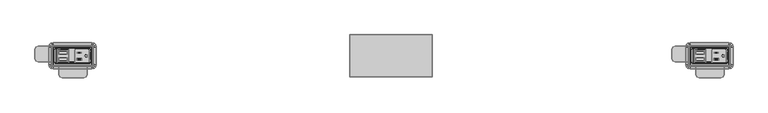
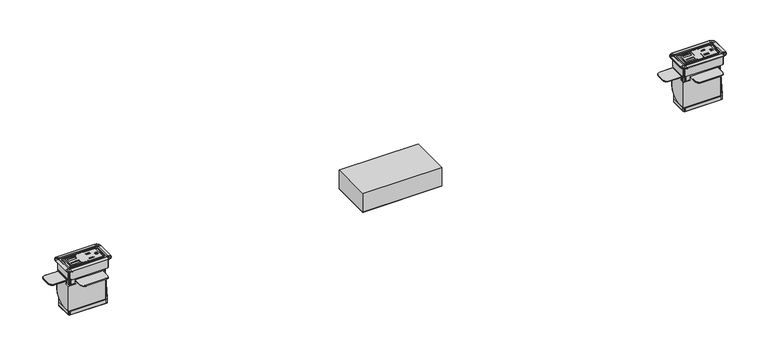
"""IFC4 building model written with IfcOpenShell, lengths in millimetres: furniture geometry."""

from ifc_helpers import new_model, si_unit, origin, place, context, project, spatial, triangles, source, transform, mapped, element, save


def furniture_952d9956(model_context):
    return source(origin(), model_context, "Body", "Tessellation", [
        triangles([(-622.3000242, -14.2235992, 2.189245), (-598.8364855, -12.0812961, 2.2463646), (-620.3914925, -12.0812961, 2.2463646), (-620.3914925, 11.9785305, 2.1326152), (-622.3000242, 14.2244009, 2.189245), (-598.8364855, 11.9785305, 2.1326152), (-598.8364855, -12.0836976, 1.7383702), (-598.8364855, 11.9761279, 1.6246208), (-620.3914925, -12.0836976, 1.7383702), (-620.3914925, 11.9761279, 1.6246208), (-601.6765011, 9.1385382, 2.146042), (-601.6765011, -9.2413038, 2.2329377), (-617.5514769, -9.2413038, 2.2329377), (-617.5514769, 9.1385382, 2.146042), (-617.5514769, 2.788609, 2.176063), (-617.5514769, -2.8913751, 2.2029167), (-601.6765011, -2.8913751, 2.2029167), (-601.6765011, 2.788609, 2.176063), (-601.6765011, 2.7549855, -4.9358577), (-601.6765011, 9.1049147, -4.9658783), (-617.5514769, 9.1050538, -4.9658794), (-617.5514769, 2.7549855, -4.9358577), (-601.6765011, -9.2749278, -4.8789826), (-601.6765011, -2.9249986, -4.9090038), (-617.5514769, -2.9248592, -4.9090044), (-617.5514769, -9.2749278, -4.8789826), (-585.3112573, -13.5884477, 2.2534901), (-587.5972369, -11.3024726, 2.2426824), (-587.5972369, 11.3032742, 2.1358076), (-585.3112573, 13.5892493, 2.125), (-562.7052607, 13.5892493, 2.125), (-561.0859918, 14.2244009, 2.189245), (-560.4192447, 11.3032742, 2.1358076), (-558.0379947, 11.1764004, 2.189245), (-560.4192447, -11.3024726, 2.2426824), (-558.0379947, -11.1755987, 2.189245), (-562.7052607, -13.5884477, 2.2534901), (-561.0859918, -14.2235992, 2.189245), (-625.3480213, -11.1755987, 2.189245), (-625.3480213, 11.1764004, 2.189245), (-560.4192447, -11.3090742, 0.846303), (-560.4192447, 11.2966726, 0.7394281), (-562.7052607, 13.5826477, 0.7286206), (-585.3112573, 13.5826477, 0.7286206), (-587.5972369, 11.2966726, 0.7394281), (-587.5972369, -11.3090742, 0.846303), (-585.3112573, -13.5950493, 0.8571106), (-562.7052607, -13.5950493, 0.8571106), (-582.974445, 4.5977495, 2.1675098), (-582.974445, 4.5839428, -0.752813), (-582.974445, 7.4425179, 2.1540604), (-582.974445, 7.4287111, -0.7662625), (-575.3036559, 4.5977495, 2.1675098), (-575.3036559, 4.5839428, -0.752813), (-575.3036559, 7.4425179, 2.1540604), (-575.3036559, 7.4287111, -0.7662625), (-566.2358591, 2.6165716, 2.1768763), (-566.2358591, 2.6027651, -0.7434465), (-563.9752413, 2.6027651, -0.7434465), (-563.9752413, 2.6165716, 2.1768763), (-567.2370335, 2.4174274, 2.1778179), (-567.2370335, 2.403621, -0.742505), (-568.0857825, 1.850313, 2.180499), (-568.0857825, 1.8365063, -0.7398238), (-568.6528991, 1.0015661, 2.1845118), (-568.6528991, 0.9877594, -0.7358111), (-568.8520512, 0.0004009, 2.189245), (-568.8520512, -0.0134058, -0.7310778), (-568.6528991, -1.0007643, 2.1939783), (-568.6528991, -1.014571, -0.7263445), (-568.0857825, -1.8495112, 2.1979911), (-568.0857825, -1.8633178, -0.7223318), (-567.2370335, -2.4166258, 2.2006722), (-567.2370335, -2.4304322, -0.7196506), (-566.2358591, -2.6157699, 2.2016136), (-566.2358591, -2.6295764, -0.7187092), (-563.9752413, -2.6157699, 2.2016136), (-563.9752413, -2.6295764, -0.7187092), (-574.6432674, -5.3081397, 2.2143427), (-574.6432674, -5.3219465, -0.7059802), (-574.6432674, -8.1667146, -0.6925308), (-574.6432674, -8.1529078, 2.227792), (-583.8888514, -5.3081397, 2.2143427), (-583.8888514, -5.3219465, -0.7059802), (-583.8888514, -8.1529078, 2.227792), (-583.8888514, -8.1667146, -0.6925308), (-626.2369932, -18.097099, -91.7907544), (-626.2369932, 18.0979006, -91.7907544), (-557.1489864, 18.0979006, -91.7907544), (-557.1489864, -18.097099, -91.7907544), (-554.1009893, 15.0499012, -91.7907544), (-554.1009893, -15.0490996, -91.7907544), (-554.5093583, -16.5730993, -91.7907544), (-554.5093583, 16.5739009, -91.7907544), (-555.6249879, -17.6887447, -91.7907544), (-555.6249879, 17.6895464, -91.7907544), (-627.7610281, -17.6887447, -91.7907544), (-627.7610281, 17.6895464, -91.7907544), (-628.8766577, -16.5730993, -91.7907544), (-628.8766577, 16.5739009, -91.7907544), (-629.2849903, -15.0490996, -91.7907544), (-629.2849903, 15.0499012, -91.7907544), (-623.8239864, 13.8160467, 2.189245), (-624.939616, 12.7004012, 2.189245), (-623.8239864, -13.815245, 2.189245), (-624.939616, -12.6995996, 2.189245), (-559.5619932, -13.815245, 2.189245), (-558.4463636, -12.6995996, 2.189245), (-558.4463636, 12.7004012, 2.189245), (-559.5619932, 13.8160467, 2.189245), (-554.1009893, -15.0490996, -84.1707526), (-554.5093583, -16.5730993, -84.1707526), (-555.6249879, -17.6887447, -84.1707526), (-557.1489864, -18.097099, -84.1707526), (-629.2849903, -15.0490996, -84.1707526), (-628.8766577, -16.5730993, -84.1707526), (-627.7610281, -17.6887447, -84.1707526), (-626.2369932, -18.097099, -84.1707526), (-629.2849903, 15.0499012, -84.1707526), (-628.8766577, 16.5739009, -84.1707526), (-627.7610281, 17.6895464, -84.1707526), (-626.2369932, 18.0979006, -84.1707526), (-554.1009893, 15.0499012, -84.1707526), (-554.5093583, 16.5739009, -84.1707526), (-555.6249879, 17.6895464, -84.1707526), (-557.1489864, 18.0979006, -84.1707526), (561.0859918, -14.2235992, 2.189245), (584.5495305, -12.0812961, 2.2463646), (562.9944872, -12.0812961, 2.2463646), (562.9944872, 11.9785305, 2.1326152), (561.0859918, 14.2244009, 2.189245), (584.5495305, 11.9785305, 2.1326152), (584.5495305, -12.0836976, 1.7383702), (584.5495305, 11.9761279, 1.6246208), (562.9944872, -12.0836976, 1.7383702), (562.9944872, 11.9761279, 1.6246208), (581.7095149, 9.1385382, 2.146042), (581.7095149, -9.2413038, 2.2329377), (565.8345028, -9.2413038, 2.2329377), (565.8345028, 9.1385382, 2.146042), (565.8345028, 2.788609, 2.176063), (565.8345028, -2.8913751, 2.2029167), (581.7095149, -2.8913751, 2.2029167), (581.7095149, 2.788609, 2.176063), (581.7095149, 2.7549855, -4.9358577), (581.7095149, 9.1049147, -4.9658783), (565.8345028, 9.1050538, -4.9658794), (565.8345028, 2.7549855, -4.9358577), (581.7095149, -9.2749278, -4.8789826), (581.7095149, -2.9249986, -4.9090038), (565.8345028, -2.9248592, -4.9090044), (565.8345028, -9.2749278, -4.8789826), (598.0747587, -13.5884477, 2.2534901), (595.7887427, -11.3024726, 2.2426824), (595.7887427, 11.3032742, 2.1358076), (598.0747587, 13.5892493, 2.125), (622.3000242, 14.2244009, 2.189245), (620.680719, 13.5892493, 2.125), (622.9667713, 11.3032742, 2.1358076), (625.3480213, 11.1764004, 2.189245), (622.9667713, -11.3024726, 2.2426824), (625.3480213, -11.1755987, 2.189245), (620.680719, -13.5884477, 2.2534901), (622.3000242, -14.2235992, 2.189245), (558.0379947, -11.1755987, 2.189245), (558.0379947, 11.1764004, 2.189245), (622.9667713, -11.3090742, 0.846303), (622.9667713, 11.2966726, 0.7394281), (620.680719, 13.5826477, 0.7286206), (598.0747587, 13.5826477, 0.7286206), (595.7887427, 11.2966726, 0.7394281), (595.7887427, -11.3090742, 0.846303), (598.0747587, -13.5950493, 0.8571106), (620.680719, -13.5950493, 0.8571106), (600.4115347, 4.5977495, 2.1675098), (600.4115347, 4.5839428, -0.752813), (600.4115347, 7.4425179, 2.1540604), (600.4115347, 7.4287111, -0.7662625), (608.0823601, 4.5977495, 2.1675098), (608.0823601, 4.5839428, -0.752813), (608.0823601, 7.4425179, 2.1540604), (608.0823601, 7.4287111, -0.7662625), (617.1501205, 2.6165716, 2.1768763), (617.1501205, 2.6027651, -0.7434465), (619.4107384, 2.6027651, -0.7434465), (619.4107384, 2.6165716, 2.1768763), (616.1489462, 2.4174274, 2.1778179), (616.1489462, 2.403621, -0.742505), (615.3002335, 1.850313, 2.180499), (615.3002335, 1.8365063, -0.7398238), (614.7331169, 1.0015661, 2.1845118), (614.7331169, 0.9877594, -0.7358111), (614.5339285, 0.0004009, 2.189245), (614.5339285, -0.0134058, -0.7310778), (614.7331169, -1.0007643, 2.1939783), (614.7331169, -1.014571, -0.7263445), (615.3002335, -1.8495112, 2.1979911), (615.3002335, -1.8633178, -0.7223318), (616.1489462, -2.4166258, 2.2006722), (616.1489462, -2.4304322, -0.7196506), (617.1501205, -2.6157699, 2.2016136), (617.1501205, -2.6295764, -0.7187092), (619.4107384, -2.6157699, 2.2016136), (619.4107384, -2.6295764, -0.7187092), (608.7427485, -5.3081397, 2.2143427), (608.7427485, -5.3219465, -0.7059802), (608.7427485, -8.1667146, -0.6925308), (608.7427485, -8.1529078, 2.227792), (599.4971646, -5.3081397, 2.2143427), (599.4971646, -5.3219465, -0.7059802), (599.4971646, -8.1529078, 2.227792), (599.4971646, -8.1667146, -0.6925308), (557.1489864, -18.097099, -91.7907544), (557.1489864, 18.0979006, -91.7907544), (626.2369932, 18.0979006, -91.7907544), (626.2369932, -18.097099, -91.7907544), (629.2849903, 15.0499012, -91.7907544), (629.2849903, -15.0490996, -91.7907544), (628.8766577, 16.5739009, -91.7907544), (628.8766577, -16.5730993, -91.7907544), (627.7610281, 17.6895464, -91.7907544), (627.7610281, -17.6887447, -91.7907544), (555.6249879, -17.6887447, -91.7907544), (555.6249879, 17.6895464, -91.7907544), (554.5093583, -16.5730993, -91.7907544), (554.5093583, 16.5739009, -91.7907544), (554.1009893, -15.0490996, -91.7907544), (554.1009893, 15.0499012, -91.7907544), (559.5619932, 13.8160467, 2.189245), (558.4463636, 12.7004012, 2.189245), (559.5619932, -13.815245, 2.189245), (558.4463636, -12.6995996, 2.189245), (623.8239864, -13.815245, 2.189245), (624.939616, -12.6995996, 2.189245), (624.939616, 12.7004012, 2.189245), (623.8239864, 13.8160467, 2.189245), (629.2849903, -15.0490996, -84.1707526), (628.8766577, -16.5730993, -84.1707526), (627.7610281, -17.6887447, -84.1707526), (626.2369932, -18.097099, -84.1707526), (554.1009893, -15.0490996, -84.1707526), (554.5093583, -16.5730993, -84.1707526), (555.6249879, -17.6887447, -84.1707526), (557.1489864, -18.097099, -84.1707526), (554.1009893, 15.0499012, -84.1707526), (554.5093583, 16.5739009, -84.1707526), (555.6249879, 17.6895464, -84.1707526), (557.1489864, 18.0979006, -84.1707526), (629.2849903, 15.0499012, -84.1707526), (628.8766577, 16.5739009, -84.1707526), (627.7610281, 17.6895464, -84.1707526), (626.2369932, 18.0979006, -84.1707526)], [[1, 2, 3], [4, 5, 1], [4, 1, 3], [6, 5, 4], [7, 8, 6], [7, 6, 2], [3, 9, 7], [3, 7, 2], [3, 4, 10], [3, 10, 9], [2, 6, 11], [2, 11, 12], [13, 3, 12], [3, 2, 12], [4, 3, 13], [4, 13, 14], [10, 4, 8], [4, 6, 8], [15, 16, 17], [15, 17, 18], [11, 6, 4], [11, 4, 14], [19, 20, 21], [19, 21, 22], [23, 24, 25], [23, 25, 26], [18, 11, 20], [18, 20, 19], [22, 15, 18], [22, 18, 19], [14, 15, 22], [14, 22, 21], [20, 11, 14], [20, 14, 21], [12, 17, 24], [12, 24, 23], [26, 13, 12], [26, 12, 23], [16, 13, 26], [16, 26, 25], [24, 17, 16], [24, 16, 25], [1, 27, 28], [1, 28, 2], [28, 29, 6], [28, 6, 2], [6, 29, 30], [6, 30, 5], [5, 30, 31], [5, 31, 32], [31, 33, 34], [31, 34, 32], [34, 33, 35], [34, 35, 36], [35, 37, 38], [35, 38, 36], [38, 37, 27], [38, 27, 1], [39, 1, 40], [1, 5, 40], [35, 28, 27], [35, 27, 37], [35, 41, 42], [35, 42, 33], [31, 33, 42], [31, 42, 43], [31, 43, 44], [31, 44, 30], [29, 30, 44], [29, 44, 45], [29, 45, 46], [29, 46, 28], [27, 28, 46], [27, 46, 47], [27, 47, 48], [27, 48, 37], [37, 48, 41], [37, 41, 35], [49, 50, 51], [50, 52, 51], [53, 54, 50], [53, 50, 49], [55, 56, 54], [55, 54, 53], [51, 52, 56], [51, 56, 55], [57, 58, 59], [57, 59, 60], [61, 62, 58], [61, 58, 57], [63, 64, 62], [63, 62, 61], [65, 66, 64], [65, 64, 63], [67, 68, 66], [67, 66, 65], [69, 70, 68], [69, 68, 67], [71, 72, 70], [71, 70, 69], [73, 74, 72], [73, 72, 71], [75, 76, 74], [75, 74, 73], [77, 78, 76], [77, 76, 75], [60, 59, 78], [60, 78, 77], [79, 80, 81], [79, 81, 82], [83, 84, 80], [83, 80, 79], [85, 86, 84], [85, 84, 83], [82, 81, 86], [82, 86, 85], [31, 30, 29], [31, 29, 33], [55, 33, 29], [55, 29, 51], [53, 49, 83], [53, 83, 79], [49, 51, 29], [49, 29, 83], [85, 83, 29], [85, 29, 28], [82, 85, 28], [82, 28, 35], [79, 82, 73], [82, 35, 73], [75, 73, 35], [75, 35, 77], [60, 77, 33], [77, 35, 33], [33, 60, 57], [33, 57, 61], [63, 61, 55], [61, 33, 55], [65, 63, 53], [63, 55, 53], [53, 79, 67], [53, 67, 65], [67, 79, 71], [67, 71, 69], [79, 73, 71], [87, 88, 89], [87, 89, 90], [91, 92, 93], [91, 93, 94], [94, 93, 95], [94, 95, 96], [96, 95, 90], [96, 90, 89], [88, 87, 97], [88, 97, 98], [98, 97, 99], [98, 99, 100], [100, 99, 101], [100, 101, 102], [40, 5, 103], [40, 103, 104], [105, 1, 106], [1, 39, 106], [36, 38, 107], [36, 107, 108], [34, 109, 110], [34, 110, 32], [111, 36, 108], [111, 108, 112], [112, 108, 107], [112, 107, 113], [113, 107, 38], [113, 38, 114], [92, 111, 112], [92, 112, 93], [93, 112, 113], [93, 113, 95], [95, 113, 114], [95, 114, 90], [115, 101, 116], [101, 99, 116], [116, 99, 117], [99, 97, 117], [117, 97, 118], [97, 87, 118], [39, 115, 116], [39, 116, 106], [106, 116, 117], [106, 117, 105], [105, 117, 118], [105, 118, 1], [119, 40, 104], [119, 104, 120], [120, 104, 103], [120, 103, 121], [121, 103, 5], [121, 5, 122], [102, 119, 120], [102, 120, 100], [100, 120, 121], [100, 121, 98], [98, 121, 122], [98, 122, 88], [123, 124, 109], [123, 109, 34], [124, 125, 110], [124, 110, 109], [125, 126, 32], [125, 32, 110], [91, 94, 124], [91, 124, 123], [94, 96, 125], [94, 125, 124], [96, 89, 126], [96, 126, 125], [122, 5, 32], [122, 32, 126], [38, 1, 118], [38, 118, 114], [123, 34, 36], [123, 36, 111], [115, 39, 40], [115, 40, 119], [119, 102, 101], [119, 101, 115], [118, 87, 90], [118, 90, 114], [111, 92, 91], [111, 91, 123], [126, 89, 88], [126, 88, 122], [127, 128, 129], [130, 131, 127], [130, 127, 129], [132, 131, 130], [133, 134, 132], [133, 132, 128], [129, 135, 133], [129, 133, 128], [129, 130, 136], [129, 136, 135], [128, 132, 137], [128, 137, 138], [139, 129, 128], [139, 128, 138], [130, 129, 139], [130, 139, 140], [136, 130, 132], [136, 132, 134], [141, 142, 143], [141, 143, 144], [137, 132, 140], [132, 130, 140], [145, 146, 147], [145, 147, 148], [149, 150, 151], [149, 151, 152], [144, 137, 146], [144, 146, 145], [148, 141, 144], [148, 144, 145], [140, 141, 148], [140, 148, 147], [146, 137, 140], [146, 140, 147], [138, 143, 150], [138, 150, 149], [152, 139, 138], [152, 138, 149], [142, 139, 152], [142, 152, 151], [150, 143, 142], [150, 142, 151], [127, 153, 154], [127, 154, 128], [154, 155, 128], [155, 132, 128], [132, 155, 156], [132, 156, 131], [131, 156, 157], [156, 158, 157], [158, 159, 160], [158, 160, 157], [160, 159, 161], [160, 161, 162], [161, 163, 164], [161, 164, 162], [164, 163, 153], [164, 153, 127], [165, 127, 131], [165, 131, 166], [161, 154, 163], [154, 153, 163], [161, 167, 168], [161, 168, 159], [158, 159, 168], [158, 168, 169], [158, 169, 170], [158, 170, 156], [155, 156, 170], [155, 170, 171], [155, 171, 172], [155, 172, 154], [153, 154, 172], [153, 172, 173], [153, 173, 174], [153, 174, 163], [163, 174, 167], [163, 167, 161], [175, 176, 177], [176, 178, 177], [179, 180, 176], [179, 176, 175], [181, 182, 180], [181, 180, 179], [177, 178, 182], [177, 182, 181], [183, 184, 185], [183, 185, 186], [187, 188, 184], [187, 184, 183], [189, 190, 188], [189, 188, 187], [191, 192, 190], [191, 190, 189], [193, 194, 192], [193, 192, 191], [195, 196, 194], [195, 194, 193], [197, 198, 196], [197, 196, 195], [199, 200, 198], [199, 198, 197], [201, 202, 200], [201, 200, 199], [203, 204, 202], [203, 202, 201], [186, 185, 204], [186, 204, 203], [205, 206, 207], [205, 207, 208], [209, 210, 206], [209, 206, 205], [211, 212, 210], [211, 210, 209], [208, 207, 212], [208, 212, 211], [158, 156, 155], [158, 155, 159], [181, 159, 177], [159, 155, 177], [179, 175, 209], [179, 209, 205], [175, 177, 209], [177, 155, 209], [211, 209, 154], [209, 155, 154], [208, 211, 161], [211, 154, 161], [205, 208, 161], [205, 161, 199], [201, 199, 203], [199, 161, 203], [186, 203, 161], [186, 161, 159], [159, 186, 187], [186, 183, 187], [189, 187, 159], [189, 159, 181], [191, 189, 181], [191, 181, 179], [179, 205, 193], [179, 193, 191], [193, 205, 197], [193, 197, 195], [205, 199, 197], [213, 214, 215], [213, 215, 216], [217, 218, 219], [218, 220, 219], [219, 220, 221], [220, 222, 221], [221, 222, 215], [222, 216, 215], [214, 213, 223], [214, 223, 224], [224, 223, 225], [224, 225, 226], [226, 225, 227], [226, 227, 228], [166, 131, 229], [166, 229, 230], [231, 127, 165], [231, 165, 232], [162, 164, 233], [162, 233, 234], [160, 235, 236], [160, 236, 157], [237, 162, 234], [237, 234, 238], [238, 234, 233], [238, 233, 239], [239, 233, 164], [239, 164, 240], [218, 237, 238], [218, 238, 220], [220, 238, 239], [220, 239, 222], [222, 239, 240], [222, 240, 216], [241, 227, 225], [241, 225, 242], [242, 225, 223], [242, 223, 243], [243, 223, 213], [243, 213, 244], [165, 241, 242], [165, 242, 232], [232, 242, 243], [232, 243, 231], [231, 243, 244], [231, 244, 127], [245, 166, 230], [245, 230, 246], [246, 230, 229], [246, 229, 247], [247, 229, 131], [247, 131, 248], [228, 245, 246], [228, 246, 226], [226, 246, 247], [226, 247, 224], [224, 247, 248], [224, 248, 214], [249, 250, 235], [249, 235, 160], [250, 251, 236], [250, 236, 235], [251, 252, 157], [251, 157, 236], [217, 219, 250], [217, 250, 249], [219, 221, 251], [219, 251, 250], [221, 215, 252], [221, 252, 251], [248, 131, 157], [248, 157, 252], [164, 127, 244], [164, 244, 240], [249, 160, 162], [249, 162, 237], [241, 165, 166], [241, 166, 245], [245, 228, 227], [245, 227, 241], [244, 213, 216], [244, 216, 240], [237, 218, 217], [237, 217, 249], [252, 215, 214], [252, 214, 248]], closed=False),
        triangles([(-629.7928808, 16.0341912, -65.9811606), (-629.7928808, 17.967651, -56.2610008), (-629.7928808, 10.5281637, -74.2215143), (-629.7928808, 2.2878106, -79.7275372), (-629.7928808, 17.967651, -30.0990008), (-629.7928808, -7.4323486, -81.6610039), (-631.5708973, 2.2878106, -79.7275372), (-631.5708973, 17.967651, -56.2610008), (-631.5708973, 16.0341912, -65.9811606), (-631.5708973, 10.5281637, -74.2215143), (-631.5708973, -7.4323486, -81.6610039), (-631.5708973, 17.967651, -30.0990008), (-631.5708973, -20.0053491, -81.6610039), (-629.7928808, -18.2273485, -81.6610039), (-559.9428566, -18.2273485, -81.6610039), (-559.9428566, -20.0053491, -81.6610039), (-564.2608706, -18.2273485, -30.0990008), (-564.2608706, -20.0053491, -30.0990008), (-559.9428566, -18.2273485, -30.0990008), (-559.9428566, -20.0053491, -30.0990008), (-631.5708973, -20.0053491, -30.0990008), (-629.7928808, -18.2273485, -30.0990008), (-629.7928808, -11.4709489, -30.0990008), (-631.5708973, -11.4709489, -30.0990008), (-617.0928566, -20.0053491, -30.0990008), (-617.0928566, -18.2273485, -30.0990008), (-564.2608706, -20.0053491, -25.0190011), (-617.0928566, -20.0053491, -25.0190011), (-564.2608706, -34.7119483, -25.0190011), (-617.0928566, -34.7119483, -25.0190011), (-564.2608706, -18.2273485, -23.2410005), (-617.0928566, -18.2273485, -23.2410005), (-617.0928566, -34.7119483, -23.2410005), (-564.2608706, -34.7119483, -23.2410005), (-655.1928566, 17.967651, -25.0190011), (-631.5708973, 17.967651, -25.0190011), (-631.5708973, -11.4709489, -25.0190011), (-655.1928566, -11.4709489, -25.0190011), (-629.7928808, 17.967651, -23.2410005), (-629.7928808, -11.4709489, -23.2410005), (-655.1928566, 17.967651, -23.2410005), (-655.1928566, -11.4709489, -23.2410005), (-659.6829895, 16.1077797, -23.2410005), (-659.6829895, -9.6110765, -23.2410005), (-661.5428324, 11.6176514, -23.2410005), (-661.5428324, -5.1209487, -23.2410005), (-659.6829895, -9.6110765, -25.0190011), (-659.6829895, 16.1077797, -25.0190011), (-661.5428324, -5.1209487, -25.0190011), (-661.5428324, 11.6176514, -25.0190011), (-570.6108464, -41.0619467, -23.2410005), (-566.1207499, -39.2020766, -23.2410005), (-610.7428808, -41.0619467, -23.2410005), (-615.2330137, -39.2020766, -23.2410005), (-610.7428808, -41.0619467, -25.0190011), (-615.2330137, -39.2020766, -25.0190011), (-566.1207499, -39.2020766, -25.0190011), (-570.6108464, -41.0619467, -25.0190011), (553.5931352, 16.0341912, -65.9811606), (553.5931352, 17.967651, -56.2610008), (553.5931352, 10.5281637, -74.2215143), (553.5931352, 2.2878106, -79.7275372), (553.5931352, 17.967651, -30.0990008), (553.5931352, -7.4323486, -81.6610039), (551.815155, 2.2878106, -79.7275372), (551.815155, 17.967651, -56.2610008), (551.815155, 16.0341912, -65.9811606), (551.815155, 10.5281637, -74.2215143), (551.815155, -7.4323486, -81.6610039), (551.815155, 17.967651, -30.0990008), (551.815155, -20.0053491, -81.6610039), (553.5931352, -18.2273485, -81.6610039), (623.4431231, -20.0053491, -81.6610039), (623.4431231, -18.2273485, -81.6610039), (619.1251453, -18.2273485, -30.0990008), (619.1251453, -20.0053491, -30.0990008), (623.4431231, -20.0053491, -30.0990008), (623.4431231, -18.2273485, -30.0990008), (551.815155, -20.0053491, -30.0990008), (553.5931352, -18.2273485, -30.0990008), (553.5931352, -11.4709489, -30.0990008), (551.815155, -11.4709489, -30.0990008), (566.2931231, -20.0053491, -30.0990008), (566.2931231, -18.2273485, -30.0990008), (619.1251453, -20.0053491, -25.0190011), (566.2931231, -20.0053491, -25.0190011), (619.1251453, -34.7119483, -25.0190011), (566.2931231, -34.7119483, -25.0190011), (619.1251453, -18.2273485, -23.2410005), (566.2931231, -18.2273485, -23.2410005), (619.1251453, -34.7119483, -23.2410005), (566.2931231, -34.7119483, -23.2410005), (528.1931231, 17.967651, -25.0190011), (551.815155, 17.967651, -25.0190011), (551.815155, -11.4709489, -25.0190011), (528.1931231, -11.4709489, -25.0190011), (553.5931352, 17.967651, -23.2410005), (553.5931352, -11.4709489, -23.2410005), (528.1931231, 17.967651, -23.2410005), (528.1931231, -11.4709489, -23.2410005), (523.7030265, 16.1077797, -23.2410005), (523.7030265, -9.6110765, -23.2410005), (521.8431473, 11.6176514, -23.2410005), (521.8431473, -5.1209487, -23.2410005), (523.7030265, -9.6110765, -25.0190011), (523.7030265, 16.1077797, -25.0190011), (521.8431473, -5.1209487, -25.0190011), (521.8431473, 11.6176514, -25.0190011), (612.7751696, -41.0619467, -23.2410005), (617.2652298, -39.2020766, -23.2410005), (568.1530023, -39.2020766, -23.2410005), (572.6431352, -41.0619467, -23.2410005), (572.6431352, -41.0619467, -25.0190011), (568.1530023, -39.2020766, -25.0190011), (612.7751696, -41.0619467, -25.0190011), (617.2652298, -39.2020766, -25.0190011), (76.2, -39.3699988, -62.1070784), (-76.2, -39.3699988, -62.1070784), (-76.2, 39.3699988, -62.1070784), (76.2, 39.3699988, -62.1070784), (76.2, -39.3699988, -24.0070784), (76.2, 39.3699988, -24.0070784), (-76.2, 39.3699988, -24.0070784), (-76.2, -39.3699988, -24.0070784)], [[1, 2, 3], [2, 4, 3], [2, 5, 4], [5, 6, 4], [7, 8, 9], [7, 9, 10], [11, 12, 8], [11, 8, 7], [2, 1, 9], [2, 9, 8], [1, 3, 10], [1, 10, 9], [3, 4, 7], [3, 7, 10], [4, 6, 11], [4, 11, 7], [13, 14, 15], [13, 15, 16], [13, 11, 6], [13, 6, 14], [17, 18, 19], [18, 20, 19], [21, 22, 23], [21, 23, 24], [21, 25, 26], [21, 26, 22], [18, 27, 28], [18, 28, 25], [29, 30, 28], [29, 28, 27], [31, 32, 33], [31, 33, 34], [31, 17, 26], [31, 26, 32], [35, 36, 37], [35, 37, 38], [12, 24, 37], [12, 37, 36], [39, 40, 23], [39, 23, 5], [39, 41, 42], [39, 42, 40], [43, 44, 41], [44, 42, 41], [45, 46, 43], [46, 44, 43], [47, 48, 38], [48, 35, 38], [49, 50, 47], [50, 48, 47], [51, 52, 53], [52, 54, 53], [52, 34, 33], [52, 33, 54], [55, 56, 57], [55, 57, 58], [56, 30, 29], [56, 29, 57], [52, 57, 34], [57, 29, 34], [51, 58, 52], [58, 57, 52], [54, 56, 53], [56, 55, 53], [33, 30, 54], [30, 56, 54], [43, 48, 50], [43, 50, 45], [41, 35, 48], [41, 48, 43], [44, 47, 42], [47, 38, 42], [46, 49, 44], [49, 47, 44], [17, 31, 27], [17, 27, 18], [34, 29, 27], [34, 27, 31], [53, 55, 51], [55, 58, 51], [32, 28, 30], [32, 30, 33], [32, 26, 25], [32, 25, 28], [23, 40, 37], [23, 37, 24], [42, 38, 40], [38, 37, 40], [45, 50, 49], [45, 49, 46], [39, 36, 35], [39, 35, 41], [8, 36, 2], [36, 39, 2], [5, 22, 14], [5, 14, 6], [19, 15, 14], [19, 14, 22], [19, 20, 16], [19, 16, 15], [21, 13, 16], [21, 16, 20], [21, 12, 11], [21, 11, 13], [59, 60, 61], [60, 62, 61], [60, 63, 62], [63, 64, 62], [65, 66, 67], [65, 67, 68], [69, 70, 66], [69, 66, 65], [60, 59, 66], [59, 67, 66], [59, 61, 67], [61, 68, 67], [61, 62, 68], [62, 65, 68], [62, 64, 65], [64, 69, 65], [71, 72, 73], [72, 74, 73], [71, 69, 64], [71, 64, 72], [75, 76, 77], [75, 77, 78], [79, 80, 81], [79, 81, 82], [79, 83, 84], [79, 84, 80], [76, 85, 86], [76, 86, 83], [87, 88, 86], [87, 86, 85], [89, 90, 91], [90, 92, 91], [89, 75, 90], [75, 84, 90], [93, 94, 95], [93, 95, 96], [70, 82, 95], [70, 95, 94], [97, 98, 81], [97, 81, 63], [97, 99, 100], [97, 100, 98], [101, 102, 100], [101, 100, 99], [103, 104, 102], [103, 102, 101], [105, 106, 93], [105, 93, 96], [107, 108, 106], [107, 106, 105], [109, 110, 111], [109, 111, 112], [110, 91, 92], [110, 92, 111], [113, 114, 115], [114, 116, 115], [114, 88, 87], [114, 87, 116], [110, 116, 87], [110, 87, 91], [109, 115, 116], [109, 116, 110], [111, 114, 113], [111, 113, 112], [92, 88, 114], [92, 114, 111], [101, 106, 103], [106, 108, 103], [99, 93, 101], [93, 106, 101], [102, 105, 96], [102, 96, 100], [104, 107, 105], [104, 105, 102], [75, 89, 85], [75, 85, 76], [91, 87, 85], [91, 85, 89], [112, 113, 115], [112, 115, 109], [90, 86, 88], [90, 88, 92], [90, 84, 83], [90, 83, 86], [81, 98, 95], [81, 95, 82], [100, 96, 95], [100, 95, 98], [103, 108, 107], [103, 107, 104], [97, 94, 99], [94, 93, 99], [66, 94, 97], [66, 97, 60], [63, 80, 72], [63, 72, 64], [78, 74, 72], [78, 72, 80], [78, 77, 73], [78, 73, 74], [79, 71, 73], [79, 73, 77], [79, 70, 69], [79, 69, 71], [117, 118, 119], [117, 119, 120], [121, 122, 123], [121, 123, 124], [123, 119, 118], [123, 118, 124], [123, 122, 120], [123, 120, 119], [121, 117, 120], [121, 120, 122], [121, 124, 118], [121, 118, 117]], closed=False),
        triangles([(-557.0465581, -16.8646728, 0.9906), (-556.2845407, -16.6604951, 0.9906), (-626.3377138, -16.8646728, 0.9906), (-627.0997313, -16.6604951, 0.9906), (-555.7267259, -16.1026724, 0.9906), (-627.657546, -16.1026724, 0.9906), (-555.5225595, -15.3406731, 0.9906), (-627.8617487, -15.3406731, 0.9906), (-555.5225595, 15.3425274, 0.9906), (-627.8617487, 15.3425274, 0.9906), (-555.7267259, 16.1045278, 0.9906), (-627.657546, 16.1045278, 0.9906), (-556.2845407, 16.6623505, 0.9906), (-627.0997313, 16.6623505, 0.9906), (-557.0465581, 16.866527, 0.9906), (-626.3377138, 16.866527, 0.9906), (-552.9825256, -16.8646728, -18.2117994), (-553.3228392, -18.1346727, -18.2117994), (-554.4068936, -16.8646728, -18.2117994), (-553.998561, -15.3406731, -18.2117994), (-554.2525426, -19.0643773, -18.2117994), (-555.5225595, -17.9803183, -18.2117994), (-555.5225595, -19.4046727, -18.2117994), (-557.0465581, -18.3886725, -18.2117994), (-557.0465581, 18.3905279, -18.2117994), (-555.5225595, 19.406528, -18.2117994), (-554.2525426, 19.0662327, -18.2117994), (-555.5225595, 17.9821725, -18.2117994), (-553.3228392, 18.136527, -18.2117994), (-554.4068936, 16.866527, -18.2117994), (-552.9825256, 16.866527, -18.2117994), (-553.998561, 15.3425274, -18.2117994), (-626.3377138, 18.3905279, -18.2117994), (-627.8617487, 17.9821725, -18.2117994), (-629.1317293, 19.0662327, -18.2117994), (-627.8617487, 19.406528, -18.2117994), (-628.9773783, 16.866527, -18.2117994), (-630.0614691, 18.136527, -18.2117994), (-629.3857109, 15.3425274, -18.2117994), (-630.4017099, 16.866527, -18.2117994), (-630.4017099, -16.8646728, -18.2117994), (-629.3857109, -15.3406731, -18.2117994), (-628.9773783, -16.8646728, -18.2117994), (-630.0614691, -18.1346727, -18.2117994), (-627.8617487, -17.9803183, -18.2117994), (-629.1317293, -19.0643773, -18.2117994), (-626.3377138, -18.3886725, -18.2117994), (-627.8617487, -19.4046727, -18.2117994), (-555.5225595, 19.406528, 0.635), (-627.8617487, 19.406528, 0.635), (-557.0465581, 16.866527, 0.635), (-626.3377138, 16.866527, 0.635), (-626.3377138, 18.3905279, 2.2859999), (-557.0465581, 18.3905279, 2.2859999), (-555.5225595, 24.4865277, 1.778), (-627.8617487, 24.4865277, 1.778), (-555.5225595, 24.4865277, 0.635), (-627.8617487, 24.4865277, 0.635), (-556.2845407, 16.6623505, 0.635), (-555.7267259, 16.1045278, 0.635), (-555.5225595, 15.3425274, 0.635), (-554.2525426, 19.0662327, 0.635), (-553.3228392, 18.136527, 0.635), (-552.9825256, 16.866527, 0.635), (-551.712545, 23.4656416, 0.635), (-548.9234347, 20.6765268, 0.635), (-547.9025305, 16.866527, 0.635), (-555.5225595, 17.9821725, 2.2859999), (-554.4068936, 16.866527, 2.2859999), (-553.998561, 15.3425274, 2.2859999), (-551.712545, 23.4656416, 1.778), (-548.9234347, 20.6765268, 1.778), (-547.9025305, 16.866527, 1.778), (-630.4017099, 16.866527, 0.635), (-630.4017099, -16.8646728, 0.635), (-627.8617487, 15.3425274, 0.635), (-627.8617487, -15.3406731, 0.635), (-629.3857109, 15.3425274, 2.2859999), (-629.3857109, -15.3406731, 2.2859999), (-635.4817778, 16.866527, 1.778), (-635.4817778, -16.8646728, 1.778), (-635.4817778, 16.866527, 0.635), (-635.4817778, -16.8646728, 0.635), (-627.657546, 16.1045278, 0.635), (-627.0997313, 16.6623505, 0.635), (-630.0614691, 18.136527, 0.635), (-629.1317293, 19.0662327, 0.635), (-634.4608372, 20.6765268, 0.635), (-631.6717632, 23.4656416, 0.635), (-628.9773783, 16.866527, 2.2859999), (-627.8617487, 17.9821725, 2.2859999), (-634.4608372, 20.6765268, 1.778), (-631.6717632, 23.4656416, 1.778), (-627.8617487, -19.4046727, 0.635), (-555.5225595, -19.4046727, 0.635), (-626.3377138, -16.8646728, 0.635), (-557.0465581, -16.8646728, 0.635), (-626.3377138, -18.3886725, 2.2859999), (-557.0465581, -18.3886725, 2.2859999), (-627.8617487, -24.4846724, 1.778), (-555.5225595, -24.4846724, 1.778), (-627.8617487, -24.4846724, 0.635), (-555.5225595, -24.4846724, 0.635), (-627.0997313, -16.6604951, 0.635), (-627.657546, -16.1026724, 0.635), (-629.1317293, -19.0643773, 0.635), (-630.0614691, -18.1346727, 0.635), (-631.6717632, -23.4637863, 0.635), (-634.4608372, -20.6746737, 0.635), (-627.8617487, -17.9803183, 2.2859999), (-628.9773783, -16.8646728, 2.2859999), (-631.6717632, -23.4637863, 1.778), (-634.4608372, -20.6746737, 1.778), (-552.9825256, -16.8646728, 0.635), (-555.5225595, -15.3406731, 0.635), (-553.998561, -15.3406731, 2.2859999), (-547.9025305, -16.8646728, 1.778), (-547.9025305, -16.8646728, 0.635), (-555.7267259, -16.1026724, 0.635), (-556.2845407, -16.6604951, 0.635), (-553.3228392, -18.1346727, 0.635), (-554.2525426, -19.0643773, 0.635), (-548.9234347, -20.6746737, 0.635), (-551.712545, -23.4637863, 0.635), (-554.4068936, -16.8646728, 2.2859999), (-555.5225595, -17.9803183, 2.2859999), (-548.9234347, -20.6746737, 1.778), (-551.712545, -23.4637863, 1.778), (-627.8617487, -19.4046727, -19.6849994), (-555.5225595, -19.4046727, -19.6849994), (-552.9825256, -16.8646728, -19.6849994), (-552.9825256, 16.866527, -19.6849994), (-555.5225595, 19.406528, -19.6849994), (-627.8617487, 19.406528, -19.6849994), (-630.4017099, 16.866527, -19.6849994), (-630.4017099, -16.8646728, -19.6849994), (-553.787709, -18.5995245, -19.6849994), (-553.787709, -18.5995245, 0.635), (-553.787709, 18.6013798, 0.635), (-553.787709, 18.6013798, -19.6849994), (-629.5965992, -18.5995245, 0.635), (-629.5965992, -18.5995245, -19.6849994), (-629.5965992, 18.6013798, 0.635), (-629.5965992, 18.6013798, -19.6849994), (626.3394579, -16.8646728, 0.9906), (627.1014753, -16.6604951, 0.9906), (556.2862484, -16.6604951, 0.9906), (557.0482658, -16.8646728, 0.9906), (627.6592901, -16.1026724, 0.9906), (555.7284336, -16.1026724, 0.9906), (627.8634201, -15.3406731, 0.9906), (555.5242673, -15.3406731, 0.9906), (627.8634201, 15.3425274, 0.9906), (555.5242673, 15.3425274, 0.9906), (627.6592901, 16.1045278, 0.9906), (555.7284336, 16.1045278, 0.9906), (627.1014753, 16.6623505, 0.9906), (556.2862484, 16.6623505, 0.9906), (626.3394579, 16.866527, 0.9906), (557.0482658, 16.866527, 0.9906), (630.403454, -16.8646728, -18.2117994), (630.0631405, -18.1346727, -18.2117994), (628.9791224, -16.8646728, -18.2117994), (629.387455, -15.3406731, -18.2117994), (629.1334734, -19.0643773, -18.2117994), (627.8634201, -17.9803183, -18.2117994), (627.8634201, -19.4046727, -18.2117994), (626.3394579, -18.3886725, -18.2117994), (626.3394579, 18.3905279, -18.2117994), (627.8634201, 19.406528, -18.2117994), (629.1334734, 19.0662327, -18.2117994), (627.8634201, 17.9821725, -18.2117994), (630.0631405, 18.136527, -18.2117994), (628.9791224, 16.866527, -18.2117994), (630.403454, 16.866527, -18.2117994), (629.387455, 15.3425274, -18.2117994), (557.0482658, 18.3905279, -18.2117994), (555.5242673, 17.9821725, -18.2117994), (554.2542503, 19.0662327, -18.2117994), (555.5242673, 19.406528, -18.2117994), (554.4086014, 16.866527, -18.2117994), (553.3245469, 18.136527, -18.2117994), (554.0002687, 15.3425274, -18.2117994), (552.9842697, 16.866527, -18.2117994), (552.9842697, -16.8646728, -18.2117994), (554.0002687, -15.3406731, -18.2117994), (554.4086014, -16.8646728, -18.2117994), (553.3245469, -18.1346727, -18.2117994), (555.5242673, -17.9803183, -18.2117994), (554.2542503, -19.0643773, -18.2117994), (557.0482658, -18.3886725, -18.2117994), (555.5242673, -19.4046727, -18.2117994), (627.8634201, 19.406528, 0.635), (555.5242673, 19.406528, 0.635), (626.3394579, 16.866527, 0.635), (557.0482658, 16.866527, 0.635), (626.3394579, 18.3905279, 2.2859999), (557.0482658, 18.3905279, 2.2859999), (627.8634201, 24.4865277, 1.778), (555.5242673, 24.4865277, 1.778), (627.8634201, 24.4865277, 0.635), (555.5242673, 24.4865277, 0.635), (627.1014753, 16.6623505, 0.635), (627.6592901, 16.1045278, 0.635), (627.8634201, 15.3425274, 0.635), (629.1334734, 19.0662327, 0.635), (630.0631405, 18.136527, 0.635), (630.403454, 16.866527, 0.635), (631.6734346, 23.4656416, 0.635), (634.4625813, 20.6765268, 0.635), (635.4834492, 16.866527, 0.635), (627.8634201, 17.9821725, 2.2859999), (628.9791224, 16.866527, 2.2859999), (629.387455, 15.3425274, 2.2859999), (631.6734346, 23.4656416, 1.778), (634.4625813, 20.6765268, 1.778), (635.4834492, 16.866527, 1.778), (552.9842697, 16.866527, 0.635), (552.9842697, -16.8646728, 0.635), (555.5242673, 15.3425274, 0.635), (555.5242673, -15.3406731, 0.635), (554.0002687, 15.3425274, 2.2859999), (554.0002687, -15.3406731, 2.2859999), (547.9042382, 16.866527, 1.778), (547.9042382, -16.8646728, 1.778), (547.9042382, 16.866527, 0.635), (547.9042382, -16.8646728, 0.635), (555.7284336, 16.1045278, 0.635), (556.2862484, 16.6623505, 0.635), (553.3245469, 18.136527, 0.635), (554.2542503, 19.0662327, 0.635), (548.9251425, 20.6765268, 0.635), (551.7142528, 23.4656416, 0.635), (554.4086014, 16.866527, 2.2859999), (555.5242673, 17.9821725, 2.2859999), (548.9251425, 20.6765268, 1.778), (551.7142528, 23.4656416, 1.778), (555.5242673, -19.4046727, 0.635), (627.8634201, -19.4046727, 0.635), (557.0482658, -16.8646728, 0.635), (626.3394579, -16.8646728, 0.635), (626.3394579, -18.3886725, 2.2859999), (557.0482658, -18.3886725, 2.2859999), (555.5242673, -24.4846724, 1.778), (627.8634201, -24.4846724, 1.778), (555.5242673, -24.4846724, 0.635), (627.8634201, -24.4846724, 0.635), (556.2862484, -16.6604951, 0.635), (555.7284336, -16.1026724, 0.635), (554.2542503, -19.0643773, 0.635), (553.3245469, -18.1346727, 0.635), (551.7142528, -23.4637863, 0.635), (548.9251425, -20.6746737, 0.635), (555.5242673, -17.9803183, 2.2859999), (554.4086014, -16.8646728, 2.2859999), (551.7142528, -23.4637863, 1.778), (548.9251425, -20.6746737, 1.778), (630.403454, -16.8646728, 0.635), (627.8634201, -15.3406731, 0.635), (629.387455, -15.3406731, 2.2859999), (635.4834492, -16.8646728, 1.778), (635.4834492, -16.8646728, 0.635), (627.6592901, -16.1026724, 0.635), (627.1014753, -16.6604951, 0.635), (630.0631405, -18.1346727, 0.635), (629.1334734, -19.0643773, 0.635), (634.4625813, -20.6746737, 0.635), (631.6734346, -23.4637863, 0.635), (628.9791224, -16.8646728, 2.2859999), (627.8634201, -17.9803183, 2.2859999), (634.4625813, -20.6746737, 1.778), (631.6734346, -23.4637863, 1.778), (555.5242673, -19.4046727, -19.6849994), (627.8634201, -19.4046727, -19.6849994), (630.403454, -16.8646728, -19.6849994), (630.403454, 16.866527, -19.6849994), (627.8634201, 19.406528, -19.6849994), (555.5242673, 19.406528, -19.6849994), (552.9842697, 16.866527, -19.6849994), (552.9842697, -16.8646728, -19.6849994), (629.5983433, -18.5995245, -19.6849994), (629.5983433, -18.5995245, 0.635), (629.5983433, 18.6013798, 0.635), (629.5983433, 18.6013798, -19.6849994), (553.7894168, -18.5995245, 0.635), (553.7894168, -18.5995245, -19.6849994), (553.7894168, 18.6013798, 0.635), (553.7894168, 18.6013798, -19.6849994)], [[1, 2, 3], [2, 4, 3], [5, 6, 4], [5, 4, 2], [5, 7, 6], [7, 8, 6], [9, 10, 8], [9, 8, 7], [9, 11, 12], [9, 12, 10], [13, 14, 11], [14, 12, 11], [13, 15, 16], [13, 16, 14], [17, 18, 19], [17, 19, 20], [18, 21, 22], [18, 22, 19], [21, 23, 24], [21, 24, 22], [25, 26, 27], [25, 27, 28], [28, 27, 29], [28, 29, 30], [30, 29, 31], [30, 31, 32], [33, 34, 35], [33, 35, 36], [34, 37, 38], [34, 38, 35], [37, 39, 40], [37, 40, 38], [41, 42, 43], [41, 43, 44], [44, 43, 45], [44, 45, 46], [46, 45, 47], [46, 47, 48], [49, 26, 36], [49, 36, 50], [36, 26, 25], [36, 25, 33], [25, 51, 52], [25, 52, 33], [52, 51, 53], [51, 54, 53], [54, 55, 56], [54, 56, 53], [56, 55, 57], [56, 57, 58], [57, 49, 50], [57, 50, 58], [51, 25, 28], [51, 28, 59], [59, 28, 30], [59, 30, 60], [60, 30, 32], [60, 32, 61], [49, 62, 27], [49, 27, 26], [62, 63, 29], [62, 29, 27], [63, 64, 31], [63, 31, 29], [49, 57, 65], [49, 65, 62], [62, 65, 66], [62, 66, 63], [63, 66, 67], [63, 67, 64], [54, 51, 68], [51, 59, 68], [68, 59, 69], [59, 60, 69], [69, 60, 61], [69, 61, 70], [55, 54, 71], [54, 68, 71], [71, 68, 72], [68, 69, 72], [72, 69, 73], [69, 70, 73], [57, 55, 71], [57, 71, 65], [65, 71, 72], [65, 72, 66], [66, 72, 73], [66, 73, 67], [74, 40, 41], [74, 41, 75], [41, 40, 39], [41, 39, 42], [39, 76, 77], [39, 77, 42], [77, 76, 78], [77, 78, 79], [78, 80, 81], [78, 81, 79], [81, 80, 82], [81, 82, 83], [82, 74, 75], [82, 75, 83], [76, 39, 84], [39, 37, 84], [84, 37, 85], [37, 34, 85], [85, 34, 33], [85, 33, 52], [74, 86, 38], [74, 38, 40], [86, 87, 35], [86, 35, 38], [87, 50, 36], [87, 36, 35], [74, 82, 88], [74, 88, 86], [86, 88, 87], [88, 89, 87], [87, 89, 50], [89, 58, 50], [78, 76, 84], [78, 84, 90], [90, 84, 85], [90, 85, 91], [91, 85, 52], [91, 52, 53], [80, 78, 90], [80, 90, 92], [92, 90, 91], [92, 91, 93], [93, 91, 53], [93, 53, 56], [82, 80, 92], [82, 92, 88], [88, 92, 93], [88, 93, 89], [89, 93, 56], [89, 56, 58], [94, 48, 23], [94, 23, 95], [23, 48, 24], [48, 47, 24], [47, 96, 97], [47, 97, 24], [97, 96, 98], [97, 98, 99], [98, 100, 99], [100, 101, 99], [101, 100, 102], [101, 102, 103], [102, 94, 95], [102, 95, 103], [96, 47, 45], [96, 45, 104], [104, 45, 43], [104, 43, 105], [105, 43, 42], [105, 42, 77], [94, 106, 46], [94, 46, 48], [106, 107, 44], [106, 44, 46], [107, 75, 41], [107, 41, 44], [94, 102, 108], [94, 108, 106], [106, 108, 109], [106, 109, 107], [107, 109, 83], [107, 83, 75], [98, 96, 104], [98, 104, 110], [110, 104, 105], [110, 105, 111], [111, 105, 79], [105, 77, 79], [100, 98, 110], [100, 110, 112], [112, 110, 111], [112, 111, 113], [113, 111, 81], [111, 79, 81], [102, 100, 112], [102, 112, 108], [108, 112, 113], [108, 113, 109], [109, 113, 81], [109, 81, 83], [114, 17, 31], [114, 31, 64], [31, 17, 20], [31, 20, 32], [20, 115, 32], [115, 61, 32], [61, 115, 116], [61, 116, 70], [116, 117, 70], [117, 73, 70], [73, 117, 118], [73, 118, 67], [118, 114, 64], [118, 64, 67], [115, 20, 19], [115, 19, 119], [119, 19, 22], [119, 22, 120], [120, 22, 24], [120, 24, 97], [114, 121, 18], [114, 18, 17], [121, 122, 21], [121, 21, 18], [122, 95, 23], [122, 23, 21], [114, 118, 121], [118, 123, 121], [121, 123, 124], [121, 124, 122], [122, 124, 103], [122, 103, 95], [116, 115, 119], [116, 119, 125], [125, 119, 120], [125, 120, 126], [126, 120, 97], [126, 97, 99], [117, 116, 125], [117, 125, 127], [127, 125, 126], [127, 126, 128], [128, 126, 99], [128, 99, 101], [118, 117, 127], [118, 127, 123], [123, 127, 128], [123, 128, 124], [124, 128, 101], [124, 101, 103], [94, 129, 130], [94, 130, 95], [114, 131, 132], [114, 132, 64], [49, 133, 134], [49, 134, 50], [74, 135, 136], [74, 136, 75], [114, 131, 137], [114, 137, 138], [138, 137, 130], [138, 130, 95], [132, 64, 139], [132, 139, 140], [140, 139, 49], [140, 49, 133], [129, 94, 141], [129, 141, 142], [142, 141, 75], [142, 75, 136], [135, 74, 143], [135, 143, 144], [144, 143, 50], [144, 50, 134], [145, 146, 147], [145, 147, 148], [149, 150, 147], [149, 147, 146], [149, 151, 152], [149, 152, 150], [153, 154, 152], [153, 152, 151], [153, 155, 156], [153, 156, 154], [157, 158, 156], [157, 156, 155], [157, 159, 160], [157, 160, 158], [161, 162, 163], [161, 163, 164], [162, 165, 166], [162, 166, 163], [165, 167, 168], [165, 168, 166], [169, 170, 171], [169, 171, 172], [172, 171, 173], [172, 173, 174], [174, 173, 175], [174, 175, 176], [177, 178, 179], [177, 179, 180], [178, 181, 182], [178, 182, 179], [181, 183, 184], [181, 184, 182], [185, 186, 187], [185, 187, 188], [188, 187, 189], [188, 189, 190], [190, 189, 191], [190, 191, 192], [193, 170, 180], [193, 180, 194], [180, 170, 177], [170, 169, 177], [169, 195, 196], [169, 196, 177], [196, 195, 197], [196, 197, 198], [197, 199, 198], [199, 200, 198], [200, 199, 201], [200, 201, 202], [201, 193, 194], [201, 194, 202], [195, 169, 172], [195, 172, 203], [203, 172, 174], [203, 174, 204], [204, 174, 176], [204, 176, 205], [193, 206, 171], [193, 171, 170], [206, 207, 173], [206, 173, 171], [207, 208, 175], [207, 175, 173], [193, 201, 209], [193, 209, 206], [206, 209, 210], [206, 210, 207], [207, 210, 211], [207, 211, 208], [197, 195, 203], [197, 203, 212], [212, 203, 204], [212, 204, 213], [213, 204, 214], [204, 205, 214], [199, 197, 212], [199, 212, 215], [215, 212, 213], [215, 213, 216], [216, 213, 217], [213, 214, 217], [201, 199, 215], [201, 215, 209], [209, 215, 216], [209, 216, 210], [210, 216, 217], [210, 217, 211], [218, 184, 185], [218, 185, 219], [185, 184, 183], [185, 183, 186], [183, 220, 186], [220, 221, 186], [221, 220, 222], [221, 222, 223], [222, 224, 223], [224, 225, 223], [225, 224, 226], [225, 226, 227], [226, 218, 219], [226, 219, 227], [220, 183, 181], [220, 181, 228], [228, 181, 178], [228, 178, 229], [229, 178, 177], [229, 177, 196], [218, 230, 182], [218, 182, 184], [230, 231, 179], [230, 179, 182], [231, 194, 180], [231, 180, 179], [218, 226, 230], [226, 232, 230], [230, 232, 233], [230, 233, 231], [231, 233, 202], [231, 202, 194], [222, 220, 228], [222, 228, 234], [234, 228, 229], [234, 229, 235], [235, 229, 196], [235, 196, 198], [224, 222, 234], [224, 234, 236], [236, 234, 235], [236, 235, 237], [237, 235, 198], [237, 198, 200], [226, 224, 236], [226, 236, 232], [232, 236, 237], [232, 237, 233], [233, 237, 200], [233, 200, 202], [238, 192, 167], [238, 167, 239], [167, 192, 191], [167, 191, 168], [191, 240, 241], [191, 241, 168], [241, 240, 242], [240, 243, 242], [243, 244, 245], [243, 245, 242], [245, 244, 246], [245, 246, 247], [246, 238, 239], [246, 239, 247], [240, 191, 189], [240, 189, 248], [248, 189, 187], [248, 187, 249], [249, 187, 186], [249, 186, 221], [238, 250, 190], [238, 190, 192], [250, 251, 188], [250, 188, 190], [251, 219, 185], [251, 185, 188], [238, 246, 252], [238, 252, 250], [250, 252, 253], [250, 253, 251], [251, 253, 227], [251, 227, 219], [243, 240, 254], [240, 248, 254], [254, 248, 255], [248, 249, 255], [255, 249, 221], [255, 221, 223], [244, 243, 256], [243, 254, 256], [256, 254, 257], [254, 255, 257], [257, 255, 225], [255, 223, 225], [246, 244, 256], [246, 256, 252], [252, 256, 257], [252, 257, 253], [253, 257, 225], [253, 225, 227], [258, 161, 175], [258, 175, 208], [175, 161, 164], [175, 164, 176], [164, 259, 205], [164, 205, 176], [205, 259, 260], [205, 260, 214], [260, 261, 217], [260, 217, 214], [217, 261, 262], [217, 262, 211], [262, 258, 208], [262, 208, 211], [259, 164, 263], [164, 163, 263], [263, 163, 264], [163, 166, 264], [264, 166, 168], [264, 168, 241], [258, 265, 162], [258, 162, 161], [265, 266, 165], [265, 165, 162], [266, 239, 167], [266, 167, 165], [258, 262, 267], [258, 267, 265], [265, 267, 266], [267, 268, 266], [266, 268, 239], [268, 247, 239], [260, 259, 263], [260, 263, 269], [269, 263, 264], [269, 264, 270], [270, 264, 241], [270, 241, 242], [261, 260, 269], [261, 269, 271], [271, 269, 270], [271, 270, 272], [272, 270, 242], [272, 242, 245], [262, 261, 271], [262, 271, 267], [267, 271, 272], [267, 272, 268], [268, 272, 245], [268, 245, 247], [238, 273, 274], [238, 274, 239], [258, 275, 276], [258, 276, 208], [193, 277, 278], [193, 278, 194], [218, 279, 280], [218, 280, 219], [258, 275, 281], [258, 281, 282], [282, 281, 274], [282, 274, 239], [276, 208, 283], [276, 283, 284], [284, 283, 193], [284, 193, 277], [273, 238, 285], [273, 285, 286], [286, 285, 219], [286, 219, 280], [279, 218, 287], [279, 287, 288], [288, 287, 194], [288, 194, 278]], closed=False),
    ])


if __name__ == "__main__":
    model = new_model("IFC4")
    model_context = context("Model", 3, world=origin())
    ifc_project = project(units=[si_unit("LENGTHUNIT", "METRE", prefix="MILLI")], contexts=[model_context])
    site = spatial("IfcSite", under=ifc_project)
    building = spatial("IfcBuilding", under=site)
    placement = place(None, origin())
    furniture_shape = furniture_952d9956(model_context)
    element("IfcFurniture", 1, at=placement, inside=building, context=model_context, shape_type="MappedRepresentation", body=[
        mapped(furniture_shape, transform((0.0, 0.0, 0.0), x_axis=(1.0, 0.0, 0.0), y_axis=(0.0, 1.0, 0.0), z_axis=(0.0, 0.0, 1.0))),
    ])
    save(model, "model.ifc")
